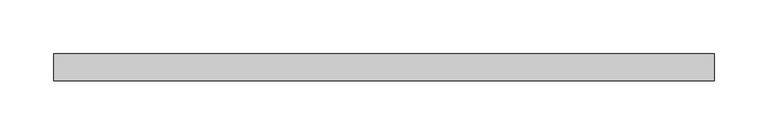
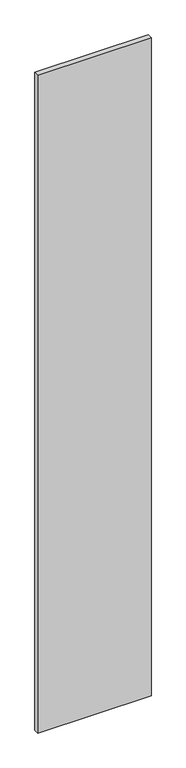
"""IFC4 building model written with IfcOpenShell, lengths in millimetres: plate geometry."""

from ifc_helpers import new_model, si_unit, origin, origin_with_axes, place, context, project, spatial, polyline, outline, extrude, source, transform, mapped, element, save


def plate_b25ea673(model_context):
    return source(origin(), model_context, "Body", "SweptSolid", [
        extrude(outline(polyline([(305.8116897, 24.5), (-305.8116897, 24.5), (-305.8116897, 49.5), (305.8116897, 49.5), (305.8116897, 24.5)])), origin_with_axes(), (0.0, 0.0, 1.0), 3750.0),
    ])


if __name__ == "__main__":
    model = new_model("IFC4")
    model_context = context("Model", 3, world=origin())
    ifc_project = project(units=[si_unit("LENGTHUNIT", "METRE", prefix="MILLI")], contexts=[model_context])
    site = spatial("IfcSite", under=ifc_project)
    building = spatial("IfcBuilding", under=site)
    placement = place(None, origin())
    plate_shape = plate_b25ea673(model_context)
    element("IfcPlate", 1, at=placement, inside=building, context=model_context, shape_type="MappedRepresentation", body=[
        mapped(plate_shape, transform((0.0, 0.0, 0.0), x_axis=(1.0, 0.0, 0.0), y_axis=(0.0, 1.0, 0.0), z_axis=(0.0, 0.0, 1.0))),
    ])
    save(model, "model.ifc")
